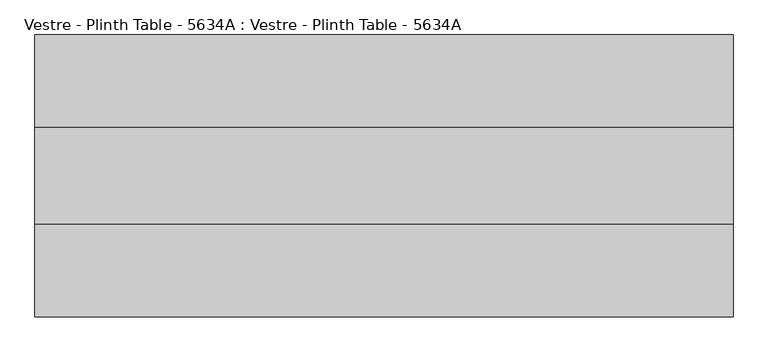
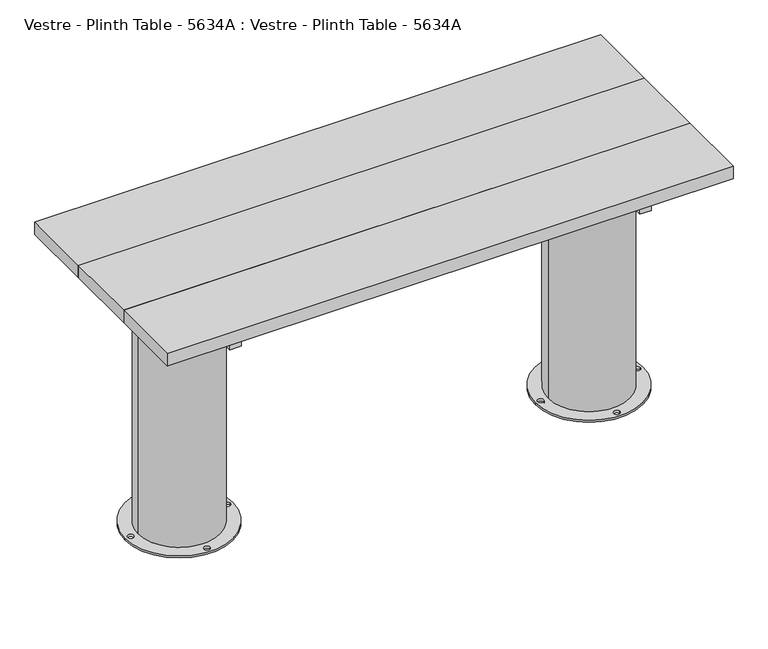
"""IFC4 building model written with IfcOpenShell, lengths in millimetres: furniture geometry, Vestre - Plinth Table - 5634A : Vestre - Plinth Table - 5634A."""

import ifcopenshell
import ifcopenshell.guid

model = None  # the IFC model being written
_history = None  # IfcOwnerHistory: only IFC2X3 demands one
_inside = {}  # id of a spatial element -> (the spatial element, [elements in it])
_under = {}  # id of a project, library or spatial element -> (it, [spatial elements below it])
_declared = {}  # id of a project -> (the project, [libraries it declares])
_typed = {}  # id of a type object -> (the type object, [elements of that type])
_made_of = {}  # id of a material, layer set ... -> (it, [elements and type objects made of it])


def new_model(schema):
    """Start an empty IFC model of exactly this schema.

    Asked for "IFC4X3", IfcOpenShell would pick the latest addendum, in which some entities
    have other attributes; the version numbers below select the first issue.
    IFC2X3 requires an IfcOwnerHistory on every rooted entity: one is made here for all.
    """
    global model, _history
    if schema == "IFC4X3":
        model = ifcopenshell.file(schema_version=(4, 3, 0, 0))
    else:
        model = ifcopenshell.file(schema=schema)
    _inside.clear()
    _under.clear()
    _declared.clear()
    _typed.clear()
    _made_of.clear()
    _history = None
    if model.schema == "IFC2X3":
        org = make("IfcOrganization", Name="unknown")
        user = make(
            "IfcPersonAndOrganization",
            ThePerson=make("IfcPerson", FamilyName="unknown"),
            TheOrganization=org,
        )
        app = make(
            "IfcApplication",
            ApplicationDeveloper=org,
            Version="unknown",
            ApplicationFullName="unknown",
            ApplicationIdentifier="unknown",
        )
        _history = make(
            "IfcOwnerHistory",
            OwningUser=user,
            OwningApplication=app,
            ChangeAction="ADDED",
            CreationDate=0,
        )
    return model


def make(cls, **values):
    """One entity of the class cls with the attributes given. An attribute that is None is left unset."""
    return model.create_entity(
        cls, **{name: value for name, value in values.items() if value is not None}
    )


def rooted(cls, **values):
    """An entity with a GlobalId (a new one), such as an element, a storey or a relation."""
    return make(cls, GlobalId=ifcopenshell.guid.new(), OwnerHistory=_history, **values)


def si_unit(unit_type, name, prefix=None):
    """IfcSIUnit, for example si_unit("LENGTHUNIT", "METRE", prefix="MILLI")."""
    return make("IfcSIUnit", UnitType=unit_type, Prefix=prefix, Name=name)


def assignment(units):
    """IfcUnitAssignment: the units of a project."""
    return None if units is None else make("IfcUnitAssignment", Units=units)


def point(xyz):
    """IfcCartesianPoint."""
    return None if xyz is None else make("IfcCartesianPoint", Coordinates=xyz)


def direction(xyz):
    """IfcDirection."""
    return None if xyz is None else make("IfcDirection", DirectionRatios=xyz)


def frame(location, z_axis=None, x_axis=None):
    """IfcAxis2Placement3D, a coordinate frame: its origin and axes. An axis left out is left unset."""
    return make(
        "IfcAxis2Placement3D",
        Location=point(location),
        Axis=direction(z_axis),
        RefDirection=direction(x_axis),
    )


def origin():
    """The frame at (0, 0, 0) with its axes left unset."""
    return frame((0.0, 0.0, 0.0))


def place(relative_to, where):
    """IfcLocalPlacement: puts the frame where relative to a parent placement (None: the world)."""
    return make(
        "IfcLocalPlacement", PlacementRelTo=relative_to, RelativePlacement=where
    )


def context(
    kind, dimensions, precision=None, world=None, true_north=None, identifier=None
):
    """IfcGeometricRepresentationContext, for example the 3D "Model" context."""
    return make(
        "IfcGeometricRepresentationContext",
        ContextIdentifier=identifier,
        ContextType=kind,
        CoordinateSpaceDimension=dimensions,
        Precision=precision,
        WorldCoordinateSystem=world,
        TrueNorth=true_north,
    )


def project(units=None, contexts=None):
    """IfcProject with its units and contexts."""
    return rooted(
        "IfcProject",
        Name="project",
        RepresentationContexts=contexts,
        UnitsInContext=assignment(units),
    )


def spatial(cls, under=None, at=None, **own):
    """A site, building, storey or space (cls), placed at a placement, below another one or the project."""
    s = rooted(cls, ObjectPlacement=at, **own)
    if under is not None:
        _under.setdefault(under.id(), (under, []))[1].append(s)
    return s


def polyline(points):
    """IfcPolyline through the points."""
    return make("IfcPolyline", Points=[point(p) for p in points])


def circle_curve(where, radius):
    """IfcCircle in the frame where."""
    return make("IfcCircle", Position=where, Radius=radius)


def outline(outer, holes=None, kind="AREA"):
    """IfcArbitraryClosedProfileDef: a profile drawn as a closed curve; with holes, ...WithVoids."""
    if holes is None:
        return make("IfcArbitraryClosedProfileDef", ProfileType=kind, OuterCurve=outer)
    return make(
        "IfcArbitraryProfileDefWithVoids",
        ProfileType=kind,
        OuterCurve=outer,
        InnerCurves=holes,
    )


def extrude(swept, where, along, depth):
    """IfcExtrudedAreaSolid: the profile swept, set in the frame where, extruded along a direction by depth."""
    return make(
        "IfcExtrudedAreaSolid",
        SweptArea=swept,
        Position=where,
        ExtrudedDirection=direction(along),
        Depth=depth,
    )


def shape(context_of_items, identifier, shape_type, items):
    """IfcShapeRepresentation: the items that make up one representation, for example the "Body"."""
    return make(
        "IfcShapeRepresentation",
        ContextOfItems=context_of_items,
        RepresentationIdentifier=identifier,
        RepresentationType=shape_type,
        Items=items,
    )


def source(mapping_origin, context_of_items, identifier, shape_type, items):
    """IfcRepresentationMap: a shape defined once, which mapped items show again and again."""
    return make(
        "IfcRepresentationMap",
        MappingOrigin=mapping_origin,
        MappedRepresentation=shape(context_of_items, identifier, shape_type, items),
    )


def transform(
    local_origin,
    x_axis=None,
    y_axis=None,
    z_axis=None,
    scale=None,
    scale2=None,
    scale3=None,
    uniform=True,
):
    """IfcCartesianTransformationOperator3D, or its non-uniform kind. x_axis, y_axis, z_axis: its Axis1, 2, 3."""
    if uniform:
        return make(
            "IfcCartesianTransformationOperator3D",
            Axis1=direction(x_axis),
            Axis2=direction(y_axis),
            LocalOrigin=point(local_origin),
            Scale=scale,
            Axis3=direction(z_axis),
        )
    return make(
        "IfcCartesianTransformationOperator3DnonUniform",
        Axis1=direction(x_axis),
        Axis2=direction(y_axis),
        LocalOrigin=point(local_origin),
        Scale=scale,
        Axis3=direction(z_axis),
        Scale2=scale2,
        Scale3=scale3,
    )


def mapped(mapping_source, mapping_target):
    """IfcMappedItem: shows the shape of a source again, moved by a transform."""
    return make(
        "IfcMappedItem", MappingSource=mapping_source, MappingTarget=mapping_target
    )


def made_of(thing, what):
    """Note that an element or type object is made of a material, layer set ...; save() writes the relation."""
    if what is not None:
        _made_of.setdefault(what.id(), (what, []))[1].append(thing)
    return thing


def element(
    cls,
    number,
    at=None,
    inside=None,
    cuts=None,
    type_object=None,
    material=None,
    context=None,
    identifier="Body",
    shape_type=None,
    held_by="IfcProductDefinitionShape",
    body=None,
    shapes=None,
    **own,
):
    """One element of the class cls, such as IfcWall. Its Tag is "e" and its number.

    at: its placement. inside: the storey or other place that contains it. cuts: it is an
    opening in that element (IfcRelVoidsElement). A single representation is given by context,
    identifier, shape_type and body (its items); several are given by shapes. held_by: the class
    of the entity that holds the representations. save() writes the other relations.
    """
    e = rooted(cls, Tag="e%d" % number, ObjectPlacement=at, **own)
    if body is not None:
        shapes = [shape(context, identifier, shape_type, body)]
    if shapes is not None:
        e.Representation = make(held_by, Representations=shapes)
    if inside is not None:
        _inside.setdefault(inside.id(), (inside, []))[1].append(e)
    if cuts is not None:
        rooted(
            "IfcRelVoidsElement", RelatingBuildingElement=cuts, RelatedOpeningElement=e
        )
    if type_object is not None:
        _typed.setdefault(type_object.id(), (type_object, []))[1].append(e)
    return made_of(e, material)


def aggregate(whole, parts):
    """IfcRelAggregates: a whole, such as a stair, and the parts it consists of."""
    return rooted("IfcRelAggregates", RelatingObject=whole, RelatedObjects=parts)


def save(model, path):
    """Write the relations noted so far, then the file.

    IfcRelAggregates (storeys below a building ...), IfcRelContainedInSpatialStructure (elements
    in a storey), IfcRelDefinesByType, IfcRelAssociatesMaterial and IfcRelDeclares: one each for
    every whole, place, type object, material and project.
    """
    for whole, parts in _under.values():
        aggregate(whole, parts)
    for where, things in _inside.values():
        rooted(
            "IfcRelContainedInSpatialStructure",
            RelatedElements=things,
            RelatingStructure=where,
        )
    for kind, things in _typed.values():
        rooted("IfcRelDefinesByType", RelatedObjects=things, RelatingType=kind)
    for what, things in _made_of.values():
        rooted("IfcRelAssociatesMaterial", RelatedObjects=things, RelatingMaterial=what)
    for by, libraries in _declared.values():
        rooted("IfcRelDeclares", RelatingContext=by, RelatedDefinitions=libraries)
    model.write(path)


def plane_surface(at):
    """IfcPlane: the flat surface through the origin of the frame at, square to its z axis."""
    return make("IfcPlane", Position=at)


def cylinder_surface(at, radius):
    """IfcCylindricalSurface: all points at the distance radius from the z axis of the frame at."""
    return make("IfcCylindricalSurface", Position=at, Radius=radius)


def revolved_surface(curve, axis_point, axis_direction):
    """IfcSurfaceOfRevolution: the curve turned about the line through axis_point along axis_direction."""
    return make(
        "IfcSurfaceOfRevolution",
        SweptCurve=make("IfcArbitraryOpenProfileDef", ProfileType="CURVE", Curve=curve),
        AxisPosition=make("IfcAxis1Placement", Location=point(axis_point), Axis=direction(axis_direction)),
    )


def advanced_brep(points, edges, surfaces, faces):
    """IfcAdvancedBrep: a solid bounded by faces that lie on surfaces and meet in shared edges.

    An edge is (start, end): straight between two places in points (the first is 0);
    or (start, end, curve); or (start, end, curve, False) where it runs against its curve.
    A face is (place in surfaces, loops), or (place, loops, False) where it looks against
    its surface's normal. A loop lists edges by number (the first is 1), with a minus sign
    where the edge is run from its end to its start. The first loop is the outer one.
    """
    corners = [point(p) for p in points]
    vertices = [make("IfcVertexPoint", VertexGeometry=c) for c in corners]
    made = []
    for start, end, *more in edges:
        made.append(
            make(
                "IfcEdgeCurve",
                EdgeStart=vertices[start],
                EdgeEnd=vertices[end],
                EdgeGeometry=more[0] if more else make("IfcPolyline", Points=[corners[start], corners[end]]),
                SameSense=more[1] if len(more) > 1 else True,
            )
        )
    hull = []
    for where, loops, *sense in faces:
        bounds = []
        for j, loop in enumerate(loops):
            ring = [make("IfcOrientedEdge", EdgeElement=made[abs(k) - 1], Orientation=k > 0) for k in loop]
            bounds.append(
                make(
                    "IfcFaceOuterBound" if j == 0 else "IfcFaceBound",
                    Bound=make("IfcEdgeLoop", EdgeList=ring),
                    Orientation=True,
                )
            )
        hull.append(make("IfcAdvancedFace", Bounds=bounds, FaceSurface=surfaces[where], SameSense=sense[0] if sense else True))
    return make("IfcAdvancedBrep", Outer=make("IfcClosedShell", CfsFaces=hull))


def vestre_plinth_table_5634a_vestre_plinth_table_5634a_4446fb3f(model_context):
    return source(origin(), model_context, "Body", "SolidModel", [
        extrude(outline(polyline([(565.4994536, -483.0002308), (535.4811401, -483.0002308), (535.4811401, 43.000233), (565.4994536, 43.000233), (565.4994536, -483.0002308)])), frame((0.0, 0.0, 654.9999847), z_axis=(0.0, 0.0, 1.0), x_axis=(1.0, 0.0, 0.0)), (0.0, 0.0, 1.0), 50.0),
        extrude(outline(polyline([(760.0005464, -114.9999989), (760.0005464, -324.9999989), (-760.0005464, -324.9999989), (-760.0005464, -114.9999989), (760.0005464, -114.9999989)])), frame((0.0, 0.0, 704.9999847), z_axis=(0.0, 0.0, 1.0), x_axis=(1.0, 0.0, 0.0)), (0.0, 0.0, 1.0), 35.0000153),
        extrude(outline(polyline([(538.5005464, -202.4998463), (538.5005464, -237.5001515), (-538.5005464, -237.5001515), (-538.5005464, -202.4998463), (538.5005464, -202.4998463)])), frame((0.0, 0.0, 564.9999847), z_axis=(0.0, 0.0, 1.0), x_axis=(1.0, 0.0, 0.0)), (0.0, 0.0, 1.0), 90.0),
        extrude(outline(polyline([(760.0005464, 87.500233), (760.0005464, -114.9999989), (-760.0005464, -114.9999989), (-760.0005464, 87.500233), (760.0005464, 87.500233)])), frame((0.0, 0.0, 704.9999847), z_axis=(0.0, 0.0, 1.0), x_axis=(1.0, 0.0, 0.0)), (0.0, 0.0, 1.0), 35.0000153),
        extrude(outline(polyline([(760.0005464, -324.9999989), (760.0005464, -527.5002308), (-760.0005464, -527.5002308), (-760.0005464, -324.9999989), (760.0005464, -324.9999989)])), frame((0.0, 0.0, 704.9999847), z_axis=(0.0, 0.0, 1.0), x_axis=(1.0, 0.0, 0.0)), (0.0, 0.0, 1.0), 35.0000153),
        extrude(outline(polyline([(-535.4811401, -483.0002308), (-565.4994536, -483.0002308), (-565.4994536, 43.000233), (-535.4811401, 43.000233), (-535.4811401, -483.0002308)])), frame((0.0, 0.0, 654.9999847), z_axis=(0.0, 0.0, 1.0), x_axis=(1.0, 0.0, 0.0)), (0.0, 0.0, 1.0), 50.0),
        advanced_brep(
        [(-660.0830351, -219.9999989, 654.9999847), (-442.3211565, -237.5001515, 654.9999847), (-538.5005464, -237.5001515, 654.9999847), (-538.5005464, -202.4998463, 654.9999847), (-442.3211565, -202.4998463, 654.9999847), (-695.0290119, -219.9999989, 0.0), (-405.9688024, -219.9999989, 0.0), (-688.5005464, -219.9999989, 0.0), (-672.5005464, -219.9999989, 0.0), (-558.5005464, -90.0001458, 0.0), (-542.5005464, -90.0001458, 0.0), (-412.497268, -219.9999989, 0.0), (-428.497268, -219.9999989, 0.0), (-558.5005464, -349.9998521, 0.0), (-542.5005464, -349.9998521, 0.0), (-660.0830351, -219.9999989, 5.8600001), (-440.9147793, -219.9999989, 5.8600001), (-440.9147793, -219.9999989, 564.9999847), (-442.3211565, -237.5001515, 564.9999847), (-442.3211565, -202.4998463, 564.9999847), (-695.0290119, -219.9999989, 5.8600001), (-405.9688024, -219.9999989, 5.8600001), (-688.5005464, -219.9999989, 5.8600001), (-672.5005464, -219.9999989, 5.8600001), (-558.5005464, -90.0001458, 5.8600001), (-542.5005464, -90.0001458, 5.8600001), (-412.497268, -219.9999989, 5.8600001), (-428.497268, -219.9999989, 5.8600001), (-558.5005464, -349.9998521, 5.8600001), (-542.5005464, -349.9998521, 5.8600001), (-538.5005464, -237.5001515, 564.9999847), (-538.5005464, -202.4998463, 564.9999847)],
        [
            (0, 1, circle_curve(frame((-550.4989072, -219.9999989, 654.9999847), z_axis=(0.0, 0.0, 1.0), x_axis=(1.0, 0.0, 0.0)), 109.5841279)),
            (1, 2),
            (2, 3),
            (3, 4),
            (4, 0, circle_curve(frame((-550.4989072, -219.9999989, 654.9999847), z_axis=(0.0, 0.0, 1.0), x_axis=(1.0, 0.0, 0.0)), 109.5841279)),
            (5, 6, circle_curve(frame((-550.4989072, -219.9999989, 0.0), z_axis=(0.0, 0.0, -1.0), x_axis=(1.0, 0.0, 0.0)), 144.5301047)),
            (6, 5, circle_curve(frame((-550.4989072, -219.9999989, 0.0), z_axis=(0.0, 0.0, -1.0), x_axis=(1.0, 0.0, 0.0)), 144.5301047)),
            (7, 8, circle_curve(frame((-680.5005464, -219.9999989, 0.0), z_axis=(0.0, 0.0, 1.0), x_axis=(1.0, 0.0, 0.0)), 8.0)),
            (8, 7, circle_curve(frame((-680.5005464, -219.9999989, 0.0), z_axis=(0.0, 0.0, 1.0), x_axis=(1.0, 0.0, 0.0)), 8.0)),
            (9, 10, circle_curve(frame((-550.5005464, -90.0001458, 0.0), z_axis=(0.0, 0.0, 1.0), x_axis=(1.0, 0.0, 0.0)), 8.0)),
            (10, 9, circle_curve(frame((-550.5005464, -90.0001458, 0.0), z_axis=(0.0, 0.0, 1.0), x_axis=(1.0, 0.0, 0.0)), 8.0)),
            (11, 12, circle_curve(frame((-420.497268, -219.9999989, 0.0), z_axis=(0.0, 0.0, 1.0), x_axis=(-1.0, 0.0, 0.0)), 8.0)),
            (12, 11, circle_curve(frame((-420.497268, -219.9999989, 0.0), z_axis=(0.0, 0.0, 1.0), x_axis=(-1.0, 0.0, 0.0)), 8.0)),
            (13, 14, circle_curve(frame((-550.5005464, -349.9998521, 0.0), z_axis=(0.0, 0.0, 1.0), x_axis=(1.0, 0.0, 0.0)), 8.0)),
            (14, 13, circle_curve(frame((-550.5005464, -349.9998521, 0.0), z_axis=(0.0, 0.0, 1.0), x_axis=(1.0, 0.0, 0.0)), 8.0)),
            (0, 15),
            (15, 16, circle_curve(frame((-550.4989072, -219.9999989, 5.8600001), z_axis=(0.0, 0.0, 1.0), x_axis=(1.0, 0.0, 0.0)), 109.5841279)),
            (16, 17),
            (17, 18, circle_curve(frame((-550.4989072, -219.9999989, 564.9999847), z_axis=(0.0, 0.0, -1.0), x_axis=(1.0, 0.0, 0.0)), 109.5841279)),
            (18, 1),
            (4, 19),
            (19, 17, circle_curve(frame((-550.4989072, -219.9999989, 564.9999847), z_axis=(0.0, 0.0, -1.0), x_axis=(1.0, 0.0, 0.0)), 109.5841279)),
            (16, 15, circle_curve(frame((-550.4989072, -219.9999989, 5.8600001), z_axis=(0.0, 0.0, 1.0), x_axis=(1.0, 0.0, 0.0)), 109.5841279)),
            (20, 21, circle_curve(frame((-550.4989072, -219.9999989, 5.8600001), z_axis=(0.0, 0.0, 1.0), x_axis=(1.0, 0.0, 0.0)), 144.5301047)),
            (21, 20, circle_curve(frame((-550.4989072, -219.9999989, 5.8600001), z_axis=(0.0, 0.0, 1.0), x_axis=(1.0, 0.0, 0.0)), 144.5301047)),
            (22, 23, circle_curve(frame((-680.5005464, -219.9999989, 5.8600001), z_axis=(0.0, 0.0, -1.0), x_axis=(1.0, 0.0, 0.0)), 8.0)),
            (23, 22, circle_curve(frame((-680.5005464, -219.9999989, 5.8600001), z_axis=(0.0, 0.0, -1.0), x_axis=(1.0, 0.0, 0.0)), 8.0)),
            (24, 25, circle_curve(frame((-550.5005464, -90.0001458, 5.8600001), z_axis=(0.0, 0.0, -1.0), x_axis=(1.0, 0.0, 0.0)), 8.0)),
            (25, 24, circle_curve(frame((-550.5005464, -90.0001458, 5.8600001), z_axis=(0.0, 0.0, -1.0), x_axis=(1.0, 0.0, 0.0)), 8.0)),
            (26, 27, circle_curve(frame((-420.497268, -219.9999989, 5.8600001), z_axis=(0.0, 0.0, -1.0), x_axis=(-1.0, 0.0, 0.0)), 8.0)),
            (27, 26, circle_curve(frame((-420.497268, -219.9999989, 5.8600001), z_axis=(0.0, 0.0, -1.0), x_axis=(-1.0, 0.0, 0.0)), 8.0)),
            (28, 29, circle_curve(frame((-550.5005464, -349.9998521, 5.8600001), z_axis=(0.0, 0.0, -1.0), x_axis=(1.0, 0.0, 0.0)), 8.0)),
            (29, 28, circle_curve(frame((-550.5005464, -349.9998521, 5.8600001), z_axis=(0.0, 0.0, -1.0), x_axis=(1.0, 0.0, 0.0)), 8.0)),
            (20, 5),
            (6, 21),
            (22, 7),
            (8, 23),
            (24, 9),
            (10, 25),
            (26, 11),
            (12, 27),
            (28, 13),
            (14, 29),
            (30, 31),
            (31, 3),
            (2, 30),
            (30, 18),
            (19, 31),
        ],
        [
            plane_surface(frame((-440.9147793, -219.9999989, 654.9999847), z_axis=(0.0, 0.0, 1.0), x_axis=(0.0, 1.0, 0.0))),
            plane_surface(frame((-440.9147793, -219.9999989, 0.0), z_axis=(0.0, 0.0, -1.0), x_axis=(0.0, -1.0, 0.0))),
            cylinder_surface(frame((-550.4989072, -219.9999989, 0.0), z_axis=(0.0, 0.0, 1.0), x_axis=(1.0, 0.0, 0.0)), 109.5841279),
            plane_surface(frame((-405.9688024, -219.9999989, 5.8600001), z_axis=(0.0, 0.0, 1.0), x_axis=(0.0, 1.0, 0.0))),
            cylinder_surface(frame((-550.4989072, -219.9999989, 0.0), z_axis=(0.0, 0.0, 1.0), x_axis=(1.0, 0.0, 0.0)), 144.5301047),
            revolved_surface(polyline([(-672.5005464, -219.9999989, 0.0), (-672.5005464, -219.9999989, 5.8600001)]), (-680.5005464, -219.9999989, 0.0), (0.0, 0.0, -1.0)),
            revolved_surface(polyline([(-542.5005464, -90.0001458, 0.0), (-542.5005464, -90.0001458, 5.8600001)]), (-550.5005464, -90.0001458, 0.0), (0.0, 0.0, -1.0)),
            revolved_surface(polyline([(-428.497268, -219.9999989, 0.0), (-428.497268, -219.9999989, 5.8600001)]), (-420.497268, -219.9999989, 0.0), (0.0, 0.0, -1.0)),
            revolved_surface(polyline([(-542.5005464, -349.9998521, 0.0), (-542.5005464, -349.9998521, 5.8600001)]), (-550.5005464, -349.9998521, 0.0), (0.0, 0.0, -1.0)),
            plane_surface(frame((-538.5005464, -202.4998463, 564.9999847), z_axis=(1.0, 0.0, 0.0), x_axis=(0.0, -1.0, 0.0))),
            plane_surface(frame((-420.0, -237.5001515, 564.9999847), z_axis=(0.0, 0.0, 1.0), x_axis=(-1.0, 0.0, 0.0))),
            plane_surface(frame((-420.0, -202.4998463, 564.9999847), z_axis=(0.0, -1.0, 0.0), x_axis=(-1.0, 0.0, 0.0))),
            plane_surface(frame((-420.0, -237.5001515, 654.9999847), z_axis=(0.0, 1.0, 0.0), x_axis=(-1.0, 0.0, 0.0))),
        ],
        [
            (0, [[1, 2, 3, 4, 5]]),
            (1, [[6, 7], [8, 9], [10, 11], [12, 13], [14, 15]]),
            (2, [[16, 17, 18, 19, 20, -1]]),
            (2, [[-16, -5, 21, 22, -18, 23]]),
            (3, [[24, 25], [-17, -23], [26, 27], [28, 29], [30, 31], [32, 33]]),
            (4, [[-24, 34, -7, 35]]),
            (4, [[-25, -35, -6, -34]]),
            (5, [[-26, 36, -9, 37]]),
            (5, [[-27, -37, -8, -36]]),
            (6, [[-28, 38, -11, 39]]),
            (6, [[-29, -39, -10, -38]]),
            (7, [[-30, 40, -13, 41]]),
            (7, [[-31, -41, -12, -40]]),
            (8, [[-32, 42, -15, 43]]),
            (8, [[-33, -43, -14, -42]]),
            (9, [[44, 45, -3, 46]]),
            (10, [[-44, 47, -19, -22, 48]]),
            (11, [[-45, -48, -21, -4]]),
            (12, [[-46, -2, -20, -47]]),
        ],
    ),
        advanced_brep(
        [(695.0290119, -219.9999989, 0.0), (405.9688024, -219.9999989, 0.0), (688.5005464, -219.9999989, 0.0), (672.5005464, -219.9999989, 0.0), (558.5005464, -90.0001458, 0.0), (542.5005464, -90.0001458, 0.0), (412.497268, -219.9999989, 0.0), (428.497268, -219.9999989, 0.0), (558.5005464, -349.9998521, 0.0), (542.5005464, -349.9998521, 0.0), (695.0290119, -219.9999989, 5.8600001), (405.9688024, -219.9999989, 5.8600001), (688.5005464, -219.9999989, 5.8600001), (672.5005464, -219.9999989, 5.8600001), (558.5005464, -90.0001458, 5.8600001), (542.5005464, -90.0001458, 5.8600001), (412.497268, -219.9999989, 5.8600001), (428.497268, -219.9999989, 5.8600001), (558.5005464, -349.9998521, 5.8600001), (542.5005464, -349.9998521, 5.8600001), (660.0830351, -219.9999989, 5.8600001), (440.9147793, -219.9999989, 5.8600001), (660.0830351, -219.9999989, 654.9999847), (442.3211565, -202.4998463, 654.9999847), (538.5005464, -202.4998463, 654.9999847), (538.5005464, -237.5001515, 654.9999847), (442.3211565, -237.5001515, 654.9999847), (442.3211565, -237.5001515, 564.9999847), (440.9147793, -219.9999989, 564.9999847), (442.3211565, -202.4998463, 564.9999847), (538.5005464, -237.5001515, 564.9999847), (538.5005464, -202.4998463, 564.9999847)],
        [
            (0, 1, circle_curve(frame((550.4989072, -219.9999989, 0.0), z_axis=(0.0, 0.0, -1.0), x_axis=(-1.0, 0.0, 0.0)), 144.5301047)),
            (1, 0, circle_curve(frame((550.4989072, -219.9999989, 0.0), z_axis=(0.0, 0.0, -1.0), x_axis=(-1.0, 0.0, 0.0)), 144.5301047)),
            (2, 3, circle_curve(frame((680.5005464, -219.9999989, 0.0), z_axis=(0.0, 0.0, 1.0), x_axis=(-1.0, 0.0, 0.0)), 8.0)),
            (3, 2, circle_curve(frame((680.5005464, -219.9999989, 0.0), z_axis=(0.0, 0.0, 1.0), x_axis=(-1.0, 0.0, 0.0)), 8.0)),
            (4, 5, circle_curve(frame((550.5005464, -90.0001458, 0.0), z_axis=(0.0, 0.0, 1.0), x_axis=(-1.0, 0.0, 0.0)), 8.0)),
            (5, 4, circle_curve(frame((550.5005464, -90.0001458, 0.0), z_axis=(0.0, 0.0, 1.0), x_axis=(-1.0, 0.0, 0.0)), 8.0)),
            (6, 7, circle_curve(frame((420.497268, -219.9999989, 0.0), z_axis=(0.0, 0.0, 1.0), x_axis=(1.0, 0.0, 0.0)), 8.0)),
            (7, 6, circle_curve(frame((420.497268, -219.9999989, 0.0), z_axis=(0.0, 0.0, 1.0), x_axis=(1.0, 0.0, 0.0)), 8.0)),
            (8, 9, circle_curve(frame((550.5005464, -349.9998521, 0.0), z_axis=(0.0, 0.0, 1.0), x_axis=(-1.0, 0.0, 0.0)), 8.0)),
            (9, 8, circle_curve(frame((550.5005464, -349.9998521, 0.0), z_axis=(0.0, 0.0, 1.0), x_axis=(-1.0, 0.0, 0.0)), 8.0)),
            (10, 11, circle_curve(frame((550.4989072, -219.9999989, 5.8600001), z_axis=(0.0, 0.0, 1.0), x_axis=(-1.0, 0.0, 0.0)), 144.5301047)),
            (11, 10, circle_curve(frame((550.4989072, -219.9999989, 5.8600001), z_axis=(0.0, 0.0, 1.0), x_axis=(-1.0, 0.0, 0.0)), 144.5301047)),
            (12, 13, circle_curve(frame((680.5005464, -219.9999989, 5.8600001), z_axis=(0.0, 0.0, -1.0), x_axis=(-1.0, 0.0, 0.0)), 8.0)),
            (13, 12, circle_curve(frame((680.5005464, -219.9999989, 5.8600001), z_axis=(0.0, 0.0, -1.0), x_axis=(-1.0, 0.0, 0.0)), 8.0)),
            (14, 15, circle_curve(frame((550.5005464, -90.0001458, 5.8600001), z_axis=(0.0, 0.0, -1.0), x_axis=(-1.0, 0.0, 0.0)), 8.0)),
            (15, 14, circle_curve(frame((550.5005464, -90.0001458, 5.8600001), z_axis=(0.0, 0.0, -1.0), x_axis=(-1.0, 0.0, 0.0)), 8.0)),
            (16, 17, circle_curve(frame((420.497268, -219.9999989, 5.8600001), z_axis=(0.0, 0.0, -1.0), x_axis=(1.0, 0.0, 0.0)), 8.0)),
            (17, 16, circle_curve(frame((420.497268, -219.9999989, 5.8600001), z_axis=(0.0, 0.0, -1.0), x_axis=(1.0, 0.0, 0.0)), 8.0)),
            (18, 19, circle_curve(frame((550.5005464, -349.9998521, 5.8600001), z_axis=(0.0, 0.0, -1.0), x_axis=(-1.0, 0.0, 0.0)), 8.0)),
            (19, 18, circle_curve(frame((550.5005464, -349.9998521, 5.8600001), z_axis=(0.0, 0.0, -1.0), x_axis=(-1.0, 0.0, 0.0)), 8.0)),
            (20, 21, circle_curve(frame((550.4989072, -219.9999989, 5.8600001), z_axis=(0.0, 0.0, -1.0), x_axis=(-1.0, 0.0, 0.0)), 109.5841279)),
            (21, 20, circle_curve(frame((550.4989072, -219.9999989, 5.8600001), z_axis=(0.0, 0.0, -1.0), x_axis=(-1.0, 0.0, 0.0)), 109.5841279)),
            (10, 0),
            (1, 11),
            (12, 2),
            (3, 13),
            (14, 4),
            (5, 15),
            (16, 6),
            (7, 17),
            (18, 8),
            (9, 19),
            (22, 23, circle_curve(frame((550.4989072, -219.9999989, 654.9999847), z_axis=(0.0, 0.0, 1.0), x_axis=(-1.0, 0.0, 0.0)), 109.5841279)),
            (23, 24),
            (24, 25),
            (25, 26),
            (26, 22, circle_curve(frame((550.4989072, -219.9999989, 654.9999847), z_axis=(0.0, 0.0, 1.0), x_axis=(-1.0, 0.0, 0.0)), 109.5841279)),
            (20, 22),
            (26, 27),
            (27, 28, circle_curve(frame((550.4989072, -219.9999989, 564.9999847), z_axis=(0.0, 0.0, -1.0), x_axis=(-1.0, 0.0, 0.0)), 109.5841279)),
            (28, 21),
            (28, 29, circle_curve(frame((550.4989072, -219.9999989, 564.9999847), z_axis=(0.0, 0.0, -1.0), x_axis=(-1.0, 0.0, 0.0)), 109.5841279)),
            (29, 23),
            (30, 25),
            (24, 31),
            (31, 30),
            (31, 29),
            (27, 30),
        ],
        [
            plane_surface(frame((-440.9147793, -219.9999989, 0.0), z_axis=(0.0, 0.0, -1.0), x_axis=(0.0, -1.0, 0.0))),
            plane_surface(frame((-405.9688024, -219.9999989, 5.8600001), z_axis=(0.0, 0.0, 1.0), x_axis=(0.0, 1.0, 0.0))),
            cylinder_surface(frame((550.4989072, -219.9999989, 0.0), z_axis=(0.0, 0.0, 1.0), x_axis=(-1.0, 0.0, 0.0)), 144.5301047),
            revolved_surface(polyline([(672.5005464, -219.9999989, 0.0), (672.5005464, -219.9999989, 5.8600001)]), (680.5005464, -219.9999989, 0.0), (0.0, 0.0, -1.0)),
            revolved_surface(polyline([(542.5005464, -90.0001458, 0.0), (542.5005464, -90.0001458, 5.8600001)]), (550.5005464, -90.0001458, 0.0), (0.0, 0.0, -1.0)),
            revolved_surface(polyline([(428.497268, -219.9999989, 0.0), (428.497268, -219.9999989, 5.8600001)]), (420.497268, -219.9999989, 0.0), (0.0, 0.0, -1.0)),
            revolved_surface(polyline([(542.5005464, -349.9998521, 0.0), (542.5005464, -349.9998521, 5.8600001)]), (550.5005464, -349.9998521, 0.0), (0.0, 0.0, -1.0)),
            plane_surface(frame((440.9147793, -219.9999989, 654.9999847), z_axis=(0.0, 0.0, 1.0), x_axis=(0.0, -1.0, 0.0))),
            cylinder_surface(frame((550.4989072, -219.9999989, 0.0), z_axis=(0.0, 0.0, 1.0), x_axis=(-1.0, 0.0, 0.0)), 109.5841279),
            plane_surface(frame((538.5005464, -237.5001515, 564.9999847), z_axis=(-1.0, 0.0, 0.0), x_axis=(0.0, 0.0, -1.0))),
            plane_surface(frame((420.0, -202.4998463, 564.9999847), z_axis=(0.0, 0.0, 1.0), x_axis=(1.0, 0.0, 0.0))),
            plane_surface(frame((420.0, -202.4998463, 654.9999847), z_axis=(0.0, -1.0, 0.0), x_axis=(1.0, 0.0, 0.0))),
            plane_surface(frame((420.0, -237.5001515, 564.9999847), z_axis=(0.0, 1.0, 0.0), x_axis=(1.0, 0.0, 0.0))),
        ],
        [
            (0, [[1, 2], [3, 4], [5, 6], [7, 8], [9, 10]]),
            (1, [[11, 12], [13, 14], [15, 16], [17, 18], [19, 20], [21, 22]]),
            (2, [[-11, 23, -2, 24]]),
            (2, [[-12, -24, -1, -23]]),
            (3, [[-13, 25, -4, 26]]),
            (3, [[-14, -26, -3, -25]]),
            (4, [[-15, 27, -6, 28]]),
            (4, [[-16, -28, -5, -27]]),
            (5, [[-17, 29, -8, 30]]),
            (5, [[-18, -30, -7, -29]]),
            (6, [[-19, 31, -10, 32]]),
            (6, [[-20, -32, -9, -31]]),
            (7, [[33, 34, 35, 36, 37]]),
            (8, [[38, -37, 39, 40, 41, -21]]),
            (8, [[-38, -22, -41, 42, 43, -33]]),
            (9, [[44, -35, 45, 46]]),
            (10, [[-46, 47, -42, -40, 48]]),
            (11, [[-45, -34, -43, -47]]),
            (12, [[-44, -48, -39, -36]]),
        ],
    ),
    ])


if __name__ == "__main__":
    model = new_model("IFC4")
    model_context = context("Model", 3, world=origin())
    ifc_project = project(units=[si_unit("LENGTHUNIT", "METRE", prefix="MILLI")], contexts=[model_context])
    site = spatial("IfcSite", under=ifc_project)
    building = spatial("IfcBuilding", under=site)
    placement = place(None, origin())
    vestre_plinth_table_5634a_vestre_plinth_table_5634a_shape = vestre_plinth_table_5634a_vestre_plinth_table_5634a_4446fb3f(model_context)
    element("IfcFurniture", 1, ObjectType="Vestre - Plinth Table - 5634A : Vestre - Plinth Table - 5634A", at=placement, inside=building, context=model_context, shape_type="MappedRepresentation", body=[
        mapped(vestre_plinth_table_5634a_vestre_plinth_table_5634a_shape, transform((0.0, 0.0, 0.0), x_axis=(1.0, 0.0, 0.0), y_axis=(0.0, 1.0, 0.0), z_axis=(0.0, 0.0, 1.0))),
    ])
    save(model, "model.ifc")
